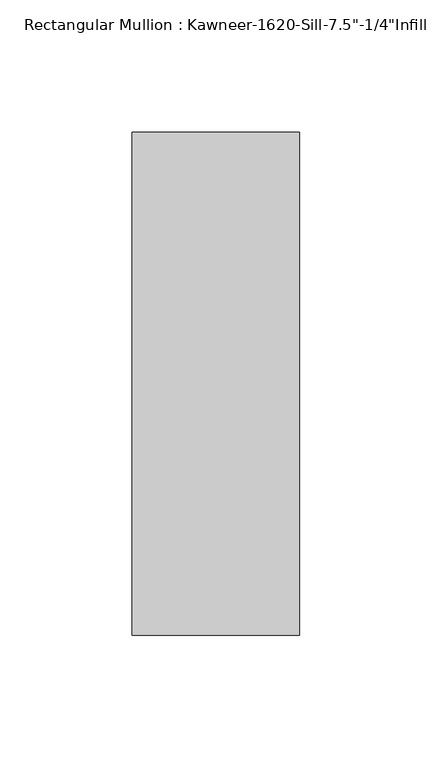
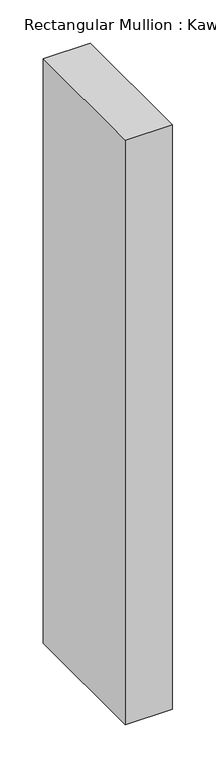
"""IFC4 building model written with IfcOpenShell, lengths in millimetres: member geometry."""

from ifc_helpers import new_model, si_unit, frame, origin, place, context, project, spatial, polyline, outline, extrude, source, transform, mapped, element, save


def member_0f0392b4(model_context):
    return source(origin(), model_context, "Body", "SweptSolid", [
        extrude(outline(polyline([(-63.5, 28.575), (0.0, 28.575), (0.0, -161.925), (-63.5, -161.925), (-63.5, 28.575)])), frame((0.0, 0.0, -828.675), z_axis=(0.0, 0.0, 1.0), x_axis=(1.0, 0.0, 0.0)), (0.0, 0.0, 1.0), 828.675),
    ])


if __name__ == "__main__":
    model = new_model("IFC4")
    model_context = context("Model", 3, world=origin())
    ifc_project = project(units=[si_unit("LENGTHUNIT", "METRE", prefix="MILLI")], contexts=[model_context])
    site = spatial("IfcSite", under=ifc_project)
    building = spatial("IfcBuilding", under=site)
    placement = place(None, origin())
    member_shape = member_0f0392b4(model_context)
    element("IfcMember", 1, ObjectType="Rectangular Mullion : Kawneer-1620-Sill-7.5\"-1/4\"Infill", at=placement, inside=building, context=model_context, shape_type="MappedRepresentation", body=[
        mapped(member_shape, transform((0.0, 0.0, 0.0), x_axis=(1.0, 0.0, 0.0), y_axis=(0.0, 1.0, 0.0), z_axis=(0.0, 0.0, 1.0))),
    ])
    save(model, "model.ifc")
